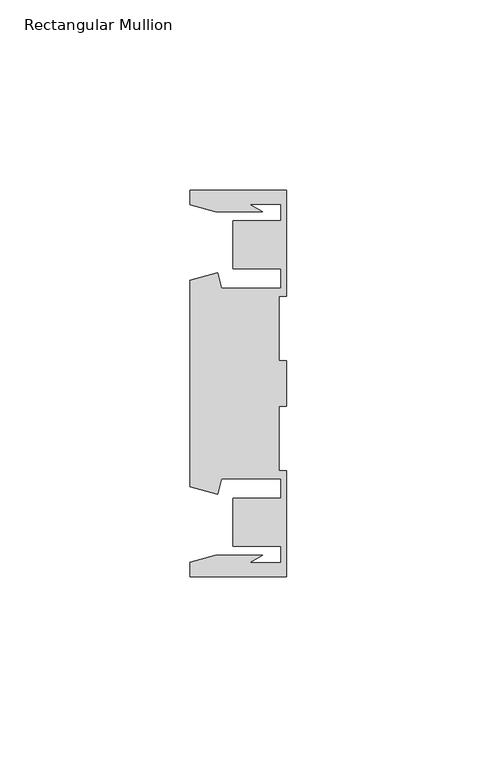
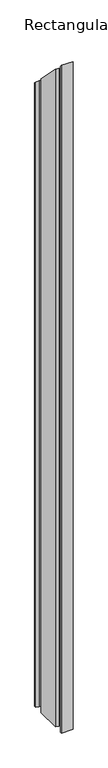
"""IFC4 building model written with IfcOpenShell, lengths in millimetres: member geometry, Rectangular Mullion."""

from ifc_helpers import new_model, si_unit, origin, place, context, project, spatial, faceted_brep, source, transform, mapped, element, save


def rectangular_mullion_e8a4d3eb(model_context):
    return source(origin(), model_context, "Body", "Brep", [
        faceted_brep([(-25.4, 50.7954622, -1491.3428571), (0.0, 50.7954622, -1491.3428571), (0.0, 22.9938072, -1491.3428571), (-2.0000011, 22.9938072, -1491.3428571), (-2.0000011, 6.0000032, -1491.3428571), (0.0, 6.0000032, -1491.3428571), (0.0, -6.0000032, -1491.3428571), (-2.0000011, -6.0000032, -1491.3428571), (-2.0000011, -22.9938072, -1491.3428571), (0.0, -22.9938072, -1491.3428571), (0.0, -50.7954622, -1491.3428571), (-25.4, -50.7954622, -1491.3428571), (-25.4, -46.9998463, -1491.3428571), (-18.7113002, -45.2076146, -1491.3428571), (-6.3834869, -45.2076146, -1491.3428571), (-9.7005662, -47.1227313, -1491.3428571), (-1.4138425, -47.1227313, -1491.3428571), (-1.4138425, -42.8128906, -1491.3428571), (-14.1138425, -42.8128906, -1491.3428571), (-14.1138425, -30.1128906, -1491.3428571), (-1.4138425, -30.1128906, -1491.3428571), (-1.4138425, -25.0120132, -1491.3428571), (-17.1094033, -25.0120132, -1491.3428571), (-18.2017212, -29.0885993, -1491.3428571), (-25.4, -27.1598263, -1491.3428571), (-25.4, 27.1598263, -1491.3428571), (-18.2017212, 29.0885993, -1491.3428571), (-17.1094033, 25.0120132, -1491.3428571), (-1.4138425, 25.0120132, -1491.3428571), (-1.4138425, 30.1128906, -1491.3428571), (-14.1138425, 30.1128906, -1491.3428571), (-14.1138425, 42.8128906, -1491.3428571), (-1.4138425, 42.8128906, -1491.3428571), (-1.4138425, 47.1227313, -1491.3428571), (-9.7005662, 47.1227313, -1491.3428571), (-6.3834869, 45.2076146, -1491.3428571), (-18.7113002, 45.2076146, -1491.3428571), (-25.4, 46.9998463, -1491.3428571), (-25.4, 46.9998463, -46.9998463), (-25.4, 50.7954622, -50.7954622), (-18.7113002, 45.2076146, -45.2076146), (-6.3834869, 45.2076146, -45.2076146), (-9.7005662, 47.1227313, -47.1227313), (-1.4138425, 47.1227313, -47.1227313), (-1.4138425, 42.8128906, -42.8128906), (-14.1138425, 42.8128906, -42.8128906), (-14.1138425, 30.1128906, -30.1128906), (-1.4138425, 30.1128906, -30.1128906), (-1.4138425, 25.0120132, -25.0120132), (-17.1094033, 25.0120132, -25.0120132), (-18.2017212, 29.0885993, -29.0885993), (-25.4, 27.1598263, -27.1598263), (-25.4, -27.1598263, 27.1598263), (-18.2017212, -29.0885993, 29.0885993), (-17.1094033, -25.0120132, 25.0120132), (-1.4138425, -25.0120132, 25.0120132), (-1.4138425, -30.1128906, 30.1128906), (-14.1138425, -30.1128906, 30.1128906), (-14.1138425, -42.8128906, 42.8128906), (-1.4138425, -42.8128906, 42.8128906), (-1.4138425, -47.1227313, 47.1227313), (-9.7005662, -47.1227313, 47.1227313), (-6.3834869, -45.2076146, 45.2076146), (-18.7113002, -45.2076146, 45.2076146), (-25.4, -46.9998463, 46.9998463), (-25.4, -50.7954622, 50.7954622), (0.0, -50.7954622, 50.7954622), (0.0, -22.9938072, 22.9938072), (-2.0000011, -22.9938072, 22.9938072), (-2.0000011, -6.0000032, 6.0000032), (0.0, -6.0000032, 6.0000032), (0.0, 6.0000032, -6.0000032), (-2.0000011, 6.0000032, -6.0000032), (-2.0000011, 22.9938072, -22.9938072), (0.0, 22.9938072, -22.9938072), (0.0, 50.7954622, -50.7954622)], [[[0, 1, 2, 3, 4, 5, 6, 7, 8, 9, 10, 11, 12, 13, 14, 15, 16, 17, 18, 19, 20, 21, 22, 23, 24, 25, 26, 27, 28, 29, 30, 31, 32, 33, 34, 35, 36, 37]], [[38, 39, 0, 37]], [[40, 38, 37, 36]], [[41, 40, 36, 35]], [[42, 41, 35, 34]], [[43, 42, 34, 33]], [[44, 43, 33, 32]], [[45, 44, 32, 31]], [[46, 45, 31, 30]], [[47, 46, 30, 29]], [[48, 47, 29, 28]], [[49, 48, 28, 27]], [[50, 49, 27, 26]], [[51, 50, 26, 25]], [[52, 51, 25, 24]], [[53, 52, 24, 23]], [[54, 53, 23, 22]], [[55, 54, 22, 21]], [[56, 55, 21, 20]], [[57, 56, 20, 19]], [[58, 57, 19, 18]], [[59, 58, 18, 17]], [[60, 59, 17, 16]], [[61, 60, 16, 15]], [[62, 61, 15, 14]], [[63, 62, 14, 13]], [[64, 63, 13, 12]], [[65, 64, 12, 11]], [[66, 65, 11, 10]], [[67, 66, 10, 9]], [[68, 67, 9, 8]], [[69, 68, 8, 7]], [[70, 69, 7, 6]], [[71, 70, 6, 5]], [[72, 71, 5, 4]], [[73, 72, 4, 3]], [[74, 73, 3, 2]], [[75, 74, 2, 1]], [[39, 75, 1, 0]], [[39, 38, 40, 41, 42, 43, 44, 45, 46, 47, 48, 49, 50, 51, 52, 53, 54, 55, 56, 57, 58, 59, 60, 61, 62, 63, 64, 65, 66, 67, 68, 69, 70, 71, 72, 73, 74, 75]]]),
    ])


if __name__ == "__main__":
    model = new_model("IFC4")
    model_context = context("Model", 3, world=origin())
    ifc_project = project(units=[si_unit("LENGTHUNIT", "METRE", prefix="MILLI")], contexts=[model_context])
    site = spatial("IfcSite", under=ifc_project)
    building = spatial("IfcBuilding", under=site)
    placement = place(None, origin())
    rectangular_mullion_shape = rectangular_mullion_e8a4d3eb(model_context)
    element("IfcMember", 1, ObjectType="Rectangular Mullion", at=placement, inside=building, context=model_context, shape_type="MappedRepresentation", body=[
        mapped(rectangular_mullion_shape, transform((0.0, 0.0, 0.0), x_axis=(1.0, 0.0, 0.0), y_axis=(0.0, 1.0, 0.0), z_axis=(0.0, 0.0, 1.0))),
    ])
    save(model, "model.ifc")
